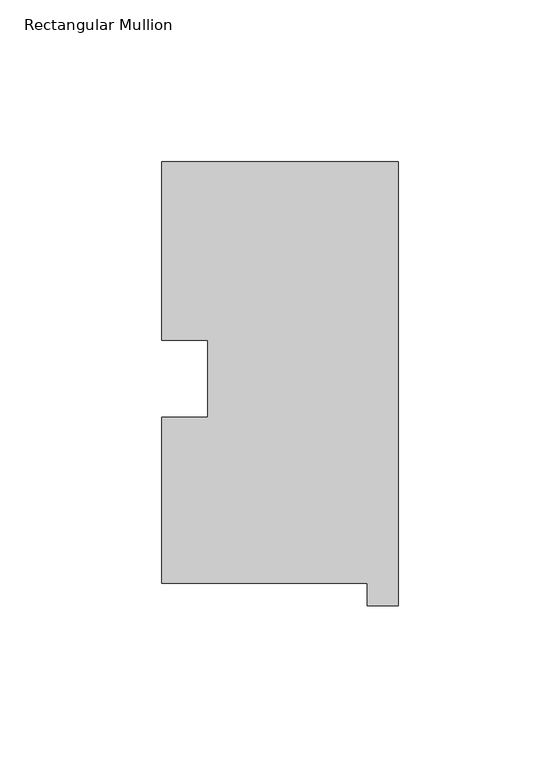
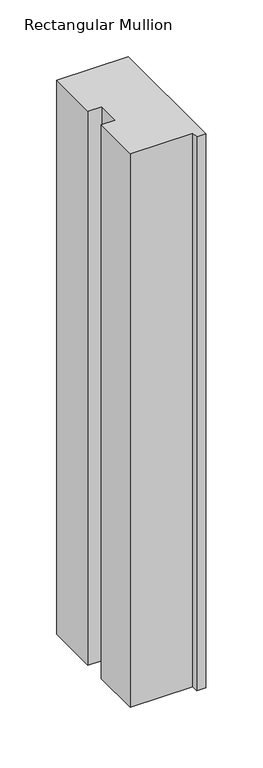
"""IFC4 building model written with IfcOpenShell, lengths in millimetres: member geometry, Rectangular Mullion."""

import ifcopenshell
import ifcopenshell.guid

model = None  # the IFC model being written
_history = None  # IfcOwnerHistory: only IFC2X3 demands one
_inside = {}  # id of a spatial element -> (the spatial element, [elements in it])
_under = {}  # id of a project, library or spatial element -> (it, [spatial elements below it])
_declared = {}  # id of a project -> (the project, [libraries it declares])
_typed = {}  # id of a type object -> (the type object, [elements of that type])
_made_of = {}  # id of a material, layer set ... -> (it, [elements and type objects made of it])


def new_model(schema):
    """Start an empty IFC model of exactly this schema.

    Asked for "IFC4X3", IfcOpenShell would pick the latest addendum, in which some entities
    have other attributes; the version numbers below select the first issue.
    IFC2X3 requires an IfcOwnerHistory on every rooted entity: one is made here for all.
    """
    global model, _history
    if schema == "IFC4X3":
        model = ifcopenshell.file(schema_version=(4, 3, 0, 0))
    else:
        model = ifcopenshell.file(schema=schema)
    _inside.clear()
    _under.clear()
    _declared.clear()
    _typed.clear()
    _made_of.clear()
    _history = None
    if model.schema == "IFC2X3":
        org = make("IfcOrganization", Name="unknown")
        user = make(
            "IfcPersonAndOrganization",
            ThePerson=make("IfcPerson", FamilyName="unknown"),
            TheOrganization=org,
        )
        app = make(
            "IfcApplication",
            ApplicationDeveloper=org,
            Version="unknown",
            ApplicationFullName="unknown",
            ApplicationIdentifier="unknown",
        )
        _history = make(
            "IfcOwnerHistory",
            OwningUser=user,
            OwningApplication=app,
            ChangeAction="ADDED",
            CreationDate=0,
        )
    return model


def make(cls, **values):
    """One entity of the class cls with the attributes given. An attribute that is None is left unset."""
    return model.create_entity(
        cls, **{name: value for name, value in values.items() if value is not None}
    )


def rooted(cls, **values):
    """An entity with a GlobalId (a new one), such as an element, a storey or a relation."""
    return make(cls, GlobalId=ifcopenshell.guid.new(), OwnerHistory=_history, **values)


def si_unit(unit_type, name, prefix=None):
    """IfcSIUnit, for example si_unit("LENGTHUNIT", "METRE", prefix="MILLI")."""
    return make("IfcSIUnit", UnitType=unit_type, Prefix=prefix, Name=name)


def assignment(units):
    """IfcUnitAssignment: the units of a project."""
    return None if units is None else make("IfcUnitAssignment", Units=units)


def point(xyz):
    """IfcCartesianPoint."""
    return None if xyz is None else make("IfcCartesianPoint", Coordinates=xyz)


def direction(xyz):
    """IfcDirection."""
    return None if xyz is None else make("IfcDirection", DirectionRatios=xyz)


def frame(location, z_axis=None, x_axis=None):
    """IfcAxis2Placement3D, a coordinate frame: its origin and axes. An axis left out is left unset."""
    return make(
        "IfcAxis2Placement3D",
        Location=point(location),
        Axis=direction(z_axis),
        RefDirection=direction(x_axis),
    )


def origin():
    """The frame at (0, 0, 0) with its axes left unset."""
    return frame((0.0, 0.0, 0.0))


def place(relative_to, where):
    """IfcLocalPlacement: puts the frame where relative to a parent placement (None: the world)."""
    return make(
        "IfcLocalPlacement", PlacementRelTo=relative_to, RelativePlacement=where
    )


def context(
    kind, dimensions, precision=None, world=None, true_north=None, identifier=None
):
    """IfcGeometricRepresentationContext, for example the 3D "Model" context."""
    return make(
        "IfcGeometricRepresentationContext",
        ContextIdentifier=identifier,
        ContextType=kind,
        CoordinateSpaceDimension=dimensions,
        Precision=precision,
        WorldCoordinateSystem=world,
        TrueNorth=true_north,
    )


def project(units=None, contexts=None):
    """IfcProject with its units and contexts."""
    return rooted(
        "IfcProject",
        Name="project",
        RepresentationContexts=contexts,
        UnitsInContext=assignment(units),
    )


def spatial(cls, under=None, at=None, **own):
    """A site, building, storey or space (cls), placed at a placement, below another one or the project."""
    s = rooted(cls, ObjectPlacement=at, **own)
    if under is not None:
        _under.setdefault(under.id(), (under, []))[1].append(s)
    return s


def polyline(points):
    """IfcPolyline through the points."""
    return make("IfcPolyline", Points=[point(p) for p in points])


def outline(outer, holes=None, kind="AREA"):
    """IfcArbitraryClosedProfileDef: a profile drawn as a closed curve; with holes, ...WithVoids."""
    if holes is None:
        return make("IfcArbitraryClosedProfileDef", ProfileType=kind, OuterCurve=outer)
    return make(
        "IfcArbitraryProfileDefWithVoids",
        ProfileType=kind,
        OuterCurve=outer,
        InnerCurves=holes,
    )


def extrude(swept, where, along, depth):
    """IfcExtrudedAreaSolid: the profile swept, set in the frame where, extruded along a direction by depth."""
    return make(
        "IfcExtrudedAreaSolid",
        SweptArea=swept,
        Position=where,
        ExtrudedDirection=direction(along),
        Depth=depth,
    )


def shape(context_of_items, identifier, shape_type, items):
    """IfcShapeRepresentation: the items that make up one representation, for example the "Body"."""
    return make(
        "IfcShapeRepresentation",
        ContextOfItems=context_of_items,
        RepresentationIdentifier=identifier,
        RepresentationType=shape_type,
        Items=items,
    )


def source(mapping_origin, context_of_items, identifier, shape_type, items):
    """IfcRepresentationMap: a shape defined once, which mapped items show again and again."""
    return make(
        "IfcRepresentationMap",
        MappingOrigin=mapping_origin,
        MappedRepresentation=shape(context_of_items, identifier, shape_type, items),
    )


def transform(
    local_origin,
    x_axis=None,
    y_axis=None,
    z_axis=None,
    scale=None,
    scale2=None,
    scale3=None,
    uniform=True,
):
    """IfcCartesianTransformationOperator3D, or its non-uniform kind. x_axis, y_axis, z_axis: its Axis1, 2, 3."""
    if uniform:
        return make(
            "IfcCartesianTransformationOperator3D",
            Axis1=direction(x_axis),
            Axis2=direction(y_axis),
            LocalOrigin=point(local_origin),
            Scale=scale,
            Axis3=direction(z_axis),
        )
    return make(
        "IfcCartesianTransformationOperator3DnonUniform",
        Axis1=direction(x_axis),
        Axis2=direction(y_axis),
        LocalOrigin=point(local_origin),
        Scale=scale,
        Axis3=direction(z_axis),
        Scale2=scale2,
        Scale3=scale3,
    )


def mapped(mapping_source, mapping_target):
    """IfcMappedItem: shows the shape of a source again, moved by a transform."""
    return make(
        "IfcMappedItem", MappingSource=mapping_source, MappingTarget=mapping_target
    )


def made_of(thing, what):
    """Note that an element or type object is made of a material, layer set ...; save() writes the relation."""
    if what is not None:
        _made_of.setdefault(what.id(), (what, []))[1].append(thing)
    return thing


def element(
    cls,
    number,
    at=None,
    inside=None,
    cuts=None,
    type_object=None,
    material=None,
    context=None,
    identifier="Body",
    shape_type=None,
    held_by="IfcProductDefinitionShape",
    body=None,
    shapes=None,
    **own,
):
    """One element of the class cls, such as IfcWall. Its Tag is "e" and its number.

    at: its placement. inside: the storey or other place that contains it. cuts: it is an
    opening in that element (IfcRelVoidsElement). A single representation is given by context,
    identifier, shape_type and body (its items); several are given by shapes. held_by: the class
    of the entity that holds the representations. save() writes the other relations.
    """
    e = rooted(cls, Tag="e%d" % number, ObjectPlacement=at, **own)
    if body is not None:
        shapes = [shape(context, identifier, shape_type, body)]
    if shapes is not None:
        e.Representation = make(held_by, Representations=shapes)
    if inside is not None:
        _inside.setdefault(inside.id(), (inside, []))[1].append(e)
    if cuts is not None:
        rooted(
            "IfcRelVoidsElement", RelatingBuildingElement=cuts, RelatedOpeningElement=e
        )
    if type_object is not None:
        _typed.setdefault(type_object.id(), (type_object, []))[1].append(e)
    return made_of(e, material)


def aggregate(whole, parts):
    """IfcRelAggregates: a whole, such as a stair, and the parts it consists of."""
    return rooted("IfcRelAggregates", RelatingObject=whole, RelatedObjects=parts)


def save(model, path):
    """Write the relations noted so far, then the file.

    IfcRelAggregates (storeys below a building ...), IfcRelContainedInSpatialStructure (elements
    in a storey), IfcRelDefinesByType, IfcRelAssociatesMaterial and IfcRelDeclares: one each for
    every whole, place, type object, material and project.
    """
    for whole, parts in _under.values():
        aggregate(whole, parts)
    for where, things in _inside.values():
        rooted(
            "IfcRelContainedInSpatialStructure",
            RelatedElements=things,
            RelatingStructure=where,
        )
    for kind, things in _typed.values():
        rooted("IfcRelDefinesByType", RelatedObjects=things, RelatingType=kind)
    for what, things in _made_of.values():
        rooted("IfcRelAssociatesMaterial", RelatedObjects=things, RelatingMaterial=what)
    for by, libraries in _declared.values():
        rooted("IfcRelDeclares", RelatingContext=by, RelatedDefinitions=libraries)
    model.write(path)


def rectangular_mullion_815975ad(model_context):
    return source(origin(), model_context, "Body", "SweptSolid", [
        extrude(outline(polyline([(-9.525, 0.26035), (-73.025, 0.26035), (-73.025, 51.60645), (-58.785125, 51.60645), (-58.785125, 75.40625), (-73.025, 75.40625), (-73.025, 130.56235), (0.0, 130.56235), (0.0, -6.64845), (-9.525, -6.64845), (-9.525, 0.26035)])), frame((0.0, 0.0, -596.9063826), z_axis=(0.0, 0.0, 1.0), x_axis=(1.0, 0.0, 0.0)), (0.0, 0.0, 1.0), 596.9063826),
    ])


if __name__ == "__main__":
    model = new_model("IFC4")
    model_context = context("Model", 3, world=origin())
    ifc_project = project(units=[si_unit("LENGTHUNIT", "METRE", prefix="MILLI")], contexts=[model_context])
    site = spatial("IfcSite", under=ifc_project)
    building = spatial("IfcBuilding", under=site)
    placement = place(None, origin())
    rectangular_mullion_shape = rectangular_mullion_815975ad(model_context)
    element("IfcMember", 1, ObjectType="Rectangular Mullion", at=placement, inside=building, context=model_context, shape_type="MappedRepresentation", body=[
        mapped(rectangular_mullion_shape, transform((0.0, 0.0, 0.0), x_axis=(1.0, 0.0, 0.0), y_axis=(0.0, 1.0, 0.0), z_axis=(0.0, 0.0, 1.0))),
    ])
    save(model, "model.ifc")
